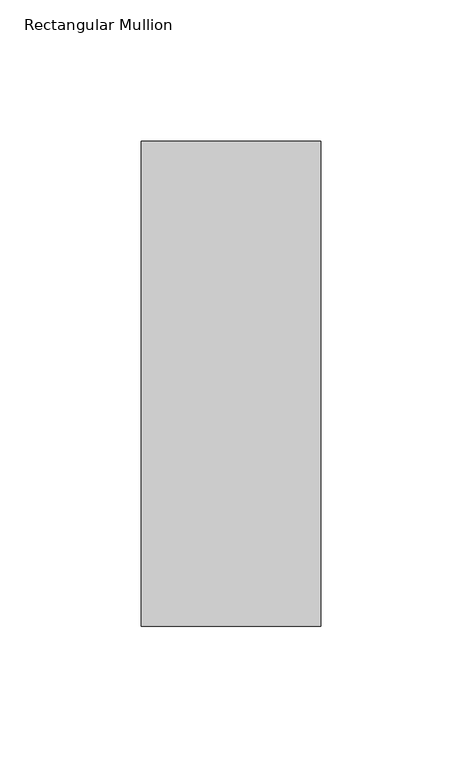
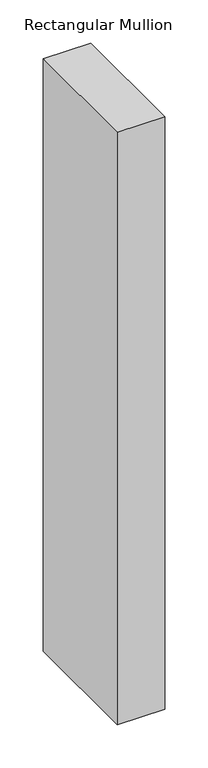
"""IFC4 building model written with IfcOpenShell, lengths in millimetres: member geometry, Rectangular Mullion."""

from ifc_helpers import new_model, si_unit, frame, origin, place, context, project, spatial, polyline, outline, extrude, source, transform, mapped, element, save


def rectangular_mullion_9293bdfd(model_context):
    return source(origin(), model_context, "Body", "SweptSolid", [
        extrude(outline(polyline([(-31.7500004, 222.5381312), (31.75, 222.5381312), (31.75, 50.820278), (-31.7500004, 50.820278), (-31.7500004, 222.5381312)])), frame((0.0, 0.0, -838.2), z_axis=(0.0, 0.0, 1.0), x_axis=(1.0, 0.0, 0.0)), (0.0, 0.0, 1.0), 838.2),
    ])


if __name__ == "__main__":
    model = new_model("IFC4")
    model_context = context("Model", 3, world=origin())
    ifc_project = project(units=[si_unit("LENGTHUNIT", "METRE", prefix="MILLI")], contexts=[model_context])
    site = spatial("IfcSite", under=ifc_project)
    building = spatial("IfcBuilding", under=site)
    placement = place(None, origin())
    rectangular_mullion_shape = rectangular_mullion_9293bdfd(model_context)
    element("IfcMember", 1, ObjectType="Rectangular Mullion", at=placement, inside=building, context=model_context, shape_type="MappedRepresentation", body=[
        mapped(rectangular_mullion_shape, transform((0.0, 0.0, 0.0), x_axis=(1.0, 0.0, 0.0), y_axis=(0.0, 1.0, 0.0), z_axis=(0.0, 0.0, 1.0))),
    ])
    save(model, "model.ifc")
